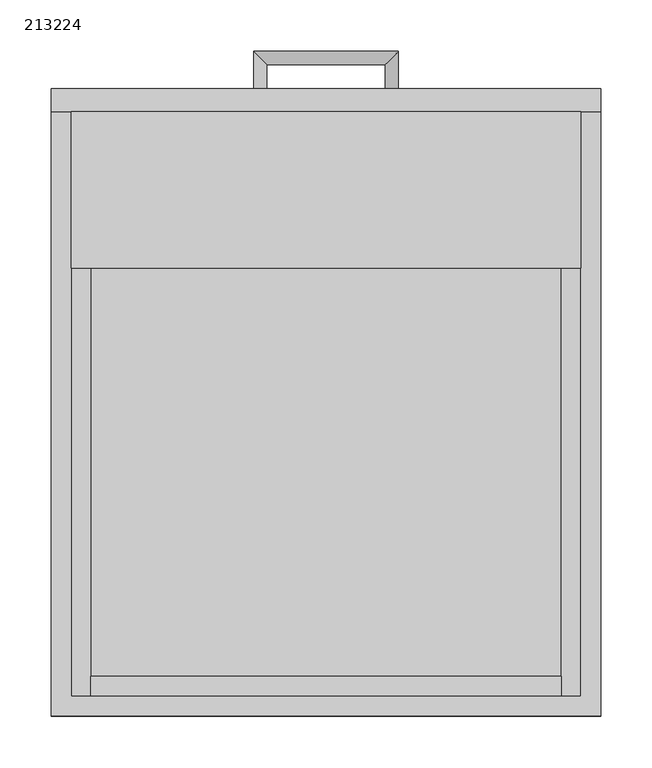
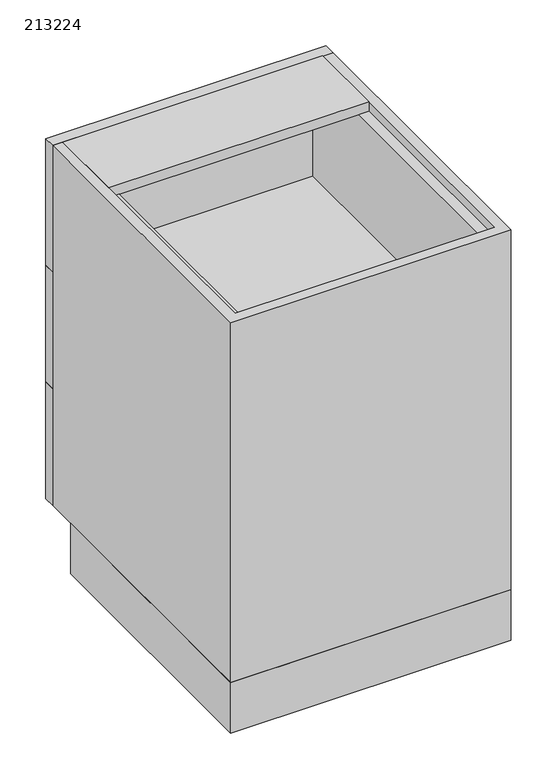
"""IFC4 building model written with IfcOpenShell, lengths in millimetres: furniture geometry, 213224."""

import ifcopenshell
import ifcopenshell.guid

model = None  # the IFC model being written
_history = None  # IfcOwnerHistory: only IFC2X3 demands one
_inside = {}  # id of a spatial element -> (the spatial element, [elements in it])
_under = {}  # id of a project, library or spatial element -> (it, [spatial elements below it])
_declared = {}  # id of a project -> (the project, [libraries it declares])
_typed = {}  # id of a type object -> (the type object, [elements of that type])
_made_of = {}  # id of a material, layer set ... -> (it, [elements and type objects made of it])


def new_model(schema):
    """Start an empty IFC model of exactly this schema.

    Asked for "IFC4X3", IfcOpenShell would pick the latest addendum, in which some entities
    have other attributes; the version numbers below select the first issue.
    IFC2X3 requires an IfcOwnerHistory on every rooted entity: one is made here for all.
    """
    global model, _history
    if schema == "IFC4X3":
        model = ifcopenshell.file(schema_version=(4, 3, 0, 0))
    else:
        model = ifcopenshell.file(schema=schema)
    _inside.clear()
    _under.clear()
    _declared.clear()
    _typed.clear()
    _made_of.clear()
    _history = None
    if model.schema == "IFC2X3":
        org = make("IfcOrganization", Name="unknown")
        user = make(
            "IfcPersonAndOrganization",
            ThePerson=make("IfcPerson", FamilyName="unknown"),
            TheOrganization=org,
        )
        app = make(
            "IfcApplication",
            ApplicationDeveloper=org,
            Version="unknown",
            ApplicationFullName="unknown",
            ApplicationIdentifier="unknown",
        )
        _history = make(
            "IfcOwnerHistory",
            OwningUser=user,
            OwningApplication=app,
            ChangeAction="ADDED",
            CreationDate=0,
        )
    return model


def make(cls, **values):
    """One entity of the class cls with the attributes given. An attribute that is None is left unset."""
    return model.create_entity(
        cls, **{name: value for name, value in values.items() if value is not None}
    )


def rooted(cls, **values):
    """An entity with a GlobalId (a new one), such as an element, a storey or a relation."""
    return make(cls, GlobalId=ifcopenshell.guid.new(), OwnerHistory=_history, **values)


def si_unit(unit_type, name, prefix=None):
    """IfcSIUnit, for example si_unit("LENGTHUNIT", "METRE", prefix="MILLI")."""
    return make("IfcSIUnit", UnitType=unit_type, Prefix=prefix, Name=name)


def assignment(units):
    """IfcUnitAssignment: the units of a project."""
    return None if units is None else make("IfcUnitAssignment", Units=units)


def point(xyz):
    """IfcCartesianPoint."""
    return None if xyz is None else make("IfcCartesianPoint", Coordinates=xyz)


def direction(xyz):
    """IfcDirection."""
    return None if xyz is None else make("IfcDirection", DirectionRatios=xyz)


def frame(location, z_axis=None, x_axis=None):
    """IfcAxis2Placement3D, a coordinate frame: its origin and axes. An axis left out is left unset."""
    return make(
        "IfcAxis2Placement3D",
        Location=point(location),
        Axis=direction(z_axis),
        RefDirection=direction(x_axis),
    )


def origin():
    """The frame at (0, 0, 0) with its axes left unset."""
    return frame((0.0, 0.0, 0.0))


def origin_with_axes():
    """The frame at (0, 0, 0) with the z axis (0, 0, 1) and the x axis (1, 0, 0) written out."""
    return frame((0.0, 0.0, 0.0), z_axis=(0.0, 0.0, 1.0), x_axis=(1.0, 0.0, 0.0))


def place(relative_to, where):
    """IfcLocalPlacement: puts the frame where relative to a parent placement (None: the world)."""
    return make(
        "IfcLocalPlacement", PlacementRelTo=relative_to, RelativePlacement=where
    )


def context(
    kind, dimensions, precision=None, world=None, true_north=None, identifier=None
):
    """IfcGeometricRepresentationContext, for example the 3D "Model" context."""
    return make(
        "IfcGeometricRepresentationContext",
        ContextIdentifier=identifier,
        ContextType=kind,
        CoordinateSpaceDimension=dimensions,
        Precision=precision,
        WorldCoordinateSystem=world,
        TrueNorth=true_north,
    )


def project(units=None, contexts=None):
    """IfcProject with its units and contexts."""
    return rooted(
        "IfcProject",
        Name="project",
        RepresentationContexts=contexts,
        UnitsInContext=assignment(units),
    )


def spatial(cls, under=None, at=None, **own):
    """A site, building, storey or space (cls), placed at a placement, below another one or the project."""
    s = rooted(cls, ObjectPlacement=at, **own)
    if under is not None:
        _under.setdefault(under.id(), (under, []))[1].append(s)
    return s


def polyline(points):
    """IfcPolyline through the points."""
    return make("IfcPolyline", Points=[point(p) for p in points])


def circle_curve(where, radius):
    """IfcCircle in the frame where."""
    return make("IfcCircle", Position=where, Radius=radius)


def ellipse_curve(where, semi_axis1, semi_axis2):
    """IfcEllipse in the frame where."""
    return make(
        "IfcEllipse", Position=where, SemiAxis1=semi_axis1, SemiAxis2=semi_axis2
    )


def outline(outer, holes=None, kind="AREA"):
    """IfcArbitraryClosedProfileDef: a profile drawn as a closed curve; with holes, ...WithVoids."""
    if holes is None:
        return make("IfcArbitraryClosedProfileDef", ProfileType=kind, OuterCurve=outer)
    return make(
        "IfcArbitraryProfileDefWithVoids",
        ProfileType=kind,
        OuterCurve=outer,
        InnerCurves=holes,
    )


def extrude(swept, where, along, depth):
    """IfcExtrudedAreaSolid: the profile swept, set in the frame where, extruded along a direction by depth."""
    return make(
        "IfcExtrudedAreaSolid",
        SweptArea=swept,
        Position=where,
        ExtrudedDirection=direction(along),
        Depth=depth,
    )


def shape(context_of_items, identifier, shape_type, items):
    """IfcShapeRepresentation: the items that make up one representation, for example the "Body"."""
    return make(
        "IfcShapeRepresentation",
        ContextOfItems=context_of_items,
        RepresentationIdentifier=identifier,
        RepresentationType=shape_type,
        Items=items,
    )


def source(mapping_origin, context_of_items, identifier, shape_type, items):
    """IfcRepresentationMap: a shape defined once, which mapped items show again and again."""
    return make(
        "IfcRepresentationMap",
        MappingOrigin=mapping_origin,
        MappedRepresentation=shape(context_of_items, identifier, shape_type, items),
    )


def transform(
    local_origin,
    x_axis=None,
    y_axis=None,
    z_axis=None,
    scale=None,
    scale2=None,
    scale3=None,
    uniform=True,
):
    """IfcCartesianTransformationOperator3D, or its non-uniform kind. x_axis, y_axis, z_axis: its Axis1, 2, 3."""
    if uniform:
        return make(
            "IfcCartesianTransformationOperator3D",
            Axis1=direction(x_axis),
            Axis2=direction(y_axis),
            LocalOrigin=point(local_origin),
            Scale=scale,
            Axis3=direction(z_axis),
        )
    return make(
        "IfcCartesianTransformationOperator3DnonUniform",
        Axis1=direction(x_axis),
        Axis2=direction(y_axis),
        LocalOrigin=point(local_origin),
        Scale=scale,
        Axis3=direction(z_axis),
        Scale2=scale2,
        Scale3=scale3,
    )


def mapped(mapping_source, mapping_target):
    """IfcMappedItem: shows the shape of a source again, moved by a transform."""
    return make(
        "IfcMappedItem", MappingSource=mapping_source, MappingTarget=mapping_target
    )


def made_of(thing, what):
    """Note that an element or type object is made of a material, layer set ...; save() writes the relation."""
    if what is not None:
        _made_of.setdefault(what.id(), (what, []))[1].append(thing)
    return thing


def element(
    cls,
    number,
    at=None,
    inside=None,
    cuts=None,
    type_object=None,
    material=None,
    context=None,
    identifier="Body",
    shape_type=None,
    held_by="IfcProductDefinitionShape",
    body=None,
    shapes=None,
    **own,
):
    """One element of the class cls, such as IfcWall. Its Tag is "e" and its number.

    at: its placement. inside: the storey or other place that contains it. cuts: it is an
    opening in that element (IfcRelVoidsElement). A single representation is given by context,
    identifier, shape_type and body (its items); several are given by shapes. held_by: the class
    of the entity that holds the representations. save() writes the other relations.
    """
    e = rooted(cls, Tag="e%d" % number, ObjectPlacement=at, **own)
    if body is not None:
        shapes = [shape(context, identifier, shape_type, body)]
    if shapes is not None:
        e.Representation = make(held_by, Representations=shapes)
    if inside is not None:
        _inside.setdefault(inside.id(), (inside, []))[1].append(e)
    if cuts is not None:
        rooted(
            "IfcRelVoidsElement", RelatingBuildingElement=cuts, RelatedOpeningElement=e
        )
    if type_object is not None:
        _typed.setdefault(type_object.id(), (type_object, []))[1].append(e)
    return made_of(e, material)


def aggregate(whole, parts):
    """IfcRelAggregates: a whole, such as a stair, and the parts it consists of."""
    return rooted("IfcRelAggregates", RelatingObject=whole, RelatedObjects=parts)


def save(model, path):
    """Write the relations noted so far, then the file.

    IfcRelAggregates (storeys below a building ...), IfcRelContainedInSpatialStructure (elements
    in a storey), IfcRelDefinesByType, IfcRelAssociatesMaterial and IfcRelDeclares: one each for
    every whole, place, type object, material and project.
    """
    for whole, parts in _under.values():
        aggregate(whole, parts)
    for where, things in _inside.values():
        rooted(
            "IfcRelContainedInSpatialStructure",
            RelatedElements=things,
            RelatingStructure=where,
        )
    for kind, things in _typed.values():
        rooted("IfcRelDefinesByType", RelatedObjects=things, RelatingType=kind)
    for what, things in _made_of.values():
        rooted("IfcRelAssociatesMaterial", RelatedObjects=things, RelatingMaterial=what)
    for by, libraries in _declared.values():
        rooted("IfcRelDeclares", RelatingContext=by, RelatedDefinitions=libraries)
    model.write(path)


def plane_surface(at):
    """IfcPlane: the flat surface through the origin of the frame at, square to its z axis."""
    return make("IfcPlane", Position=at)


def cylinder_surface(at, radius):
    """IfcCylindricalSurface: all points at the distance radius from the z axis of the frame at."""
    return make("IfcCylindricalSurface", Position=at, Radius=radius)


def advanced_brep(points, edges, surfaces, faces):
    """IfcAdvancedBrep: a solid bounded by faces that lie on surfaces and meet in shared edges.

    An edge is (start, end): straight between two places in points (the first is 0);
    or (start, end, curve); or (start, end, curve, False) where it runs against its curve.
    A face is (place in surfaces, loops), or (place, loops, False) where it looks against
    its surface's normal. A loop lists edges by number (the first is 1), with a minus sign
    where the edge is run from its end to its start. The first loop is the outer one.
    """
    corners = [point(p) for p in points]
    vertices = [make("IfcVertexPoint", VertexGeometry=c) for c in corners]
    made = []
    for start, end, *more in edges:
        made.append(
            make(
                "IfcEdgeCurve",
                EdgeStart=vertices[start],
                EdgeEnd=vertices[end],
                EdgeGeometry=more[0] if more else make("IfcPolyline", Points=[corners[start], corners[end]]),
                SameSense=more[1] if len(more) > 1 else True,
            )
        )
    hull = []
    for where, loops, *sense in faces:
        bounds = []
        for j, loop in enumerate(loops):
            ring = [make("IfcOrientedEdge", EdgeElement=made[abs(k) - 1], Orientation=k > 0) for k in loop]
            bounds.append(
                make(
                    "IfcFaceOuterBound" if j == 0 else "IfcFaceBound",
                    Bound=make("IfcEdgeLoop", EdgeList=ring),
                    Orientation=True,
                )
            )
        hull.append(make("IfcAdvancedFace", Bounds=bounds, FaceSurface=surfaces[where], SameSense=sense[0] if sense else True))
    return make("IfcAdvancedBrep", Outer=make("IfcClosedShell", CfsFaces=hull))


def furniture_213224_88f033a4(model_context):
    return source(origin(), model_context, "Body", "SolidModel", [
        extrude(outline(polyline([(-247.9622951, 0.0), (-247.9622951, 528.6), (285.4377049, 528.6), (285.4377049, 0.0), (-247.9622951, 0.0)]), holes=[polyline([(-228.7622951, 509.4), (-228.7622951, 19.2), (266.2377049, 19.2), (266.2377049, 509.4), (-228.7622951, 509.4)])]), origin_with_axes(), (0.0, 0.0, 1.0), 101.5996875),
        extrude(outline(polyline([(247.0377049, 19.2), (-209.5622951, 19.2), (-209.5622951, 38.4), (247.0377049, 38.4), (247.0377049, 19.2)])), frame((0.0, 0.0, 590.5998958), z_axis=(0.0, 0.0, 1.0), x_axis=(1.0, 0.0, 0.0)), (0.0, 0.0, 1.0), 215.7001042),
        extrude(outline(polyline([(247.0377049, 19.2), (-209.5622951, 19.2), (-209.5622951, 38.4), (247.0377049, 38.4), (247.0377049, 19.2)])), frame((0.0, 0.0, 355.6997917), z_axis=(0.0, 0.0, 1.0), x_axis=(1.0, 0.0, 0.0)), (0.0, 0.0, 1.0), 215.7001042),
        extrude(outline(polyline([(247.0377049, 19.2), (-209.5622951, 19.2), (-209.5622951, 38.4), (247.0377049, 38.4), (247.0377049, 19.2)])), frame((0.0, 0.0, 120.7996875), z_axis=(0.0, 0.0, 1.0), x_axis=(1.0, 0.0, 0.0)), (0.0, 0.0, 1.0), 215.7001042),
        extrude(outline(polyline([(806.3, -228.7622951), (571.3998958, -228.7622951), (571.3998958, 266.2377049), (806.3, 266.2377049), (806.3, 247.0377049), (590.5998958, 247.0377049), (590.5998958, -209.5622951), (806.3, -209.5622951), (806.3, -228.7622951)])), frame((0.0, 19.2, 0.0), z_axis=(0.0, 1.0, 0.0), x_axis=(0.0, 0.0, 1.0)), (0.0, 0.0, 1.0), 568.4),
        extrude(outline(polyline([(571.3998958, -228.7622951), (336.4997917, -228.7622951), (336.4997917, 266.2377049), (571.3998958, 266.2377049), (571.3998958, 247.0377049), (355.6997917, 247.0377049), (355.6997917, -209.5622951), (571.3998958, -209.5622951), (571.3998958, -228.7622951)])), frame((0.0, 19.2, 0.0), z_axis=(0.0, 1.0, 0.0), x_axis=(0.0, 0.0, 1.0)), (0.0, 0.0, 1.0), 568.4),
        extrude(outline(polyline([(336.4997917, -228.7622951), (101.5996875, -228.7622951), (101.5996875, 266.2377049), (336.4997917, 266.2377049), (336.4997917, 247.0377049), (120.7996875, 247.0377049), (120.7996875, -209.5622951), (336.4997917, -209.5622951), (336.4997917, -228.7622951)])), frame((0.0, 19.2, 0.0), z_axis=(0.0, 1.0, 0.0), x_axis=(0.0, 0.0, 1.0)), (0.0, 0.0, 1.0), 568.4),
        extrude(outline(polyline([(266.2377049, 435.2), (-228.7622951, 435.2), (-228.7622951, 587.6), (266.2377049, 587.6), (266.2377049, 435.2)])), frame((0.0, 0.0, 806.3), z_axis=(0.0, 0.0, 1.0), x_axis=(1.0, 0.0, 0.0)), (0.0, 0.0, 1.0), 19.2),
        extrude(outline(polyline([(-247.9622951, 609.6), (285.4377049, 609.6), (285.4377049, 587.6), (-247.9622951, 587.6), (-247.9622951, 609.6)])), frame((0.0, 0.0, 571.3998958), z_axis=(0.0, 0.0, 1.0), x_axis=(1.0, 0.0, 0.0)), (0.0, 0.0, 1.0), 254.1001042),
        advanced_brep(
        [(-51.6122951, 609.6, 688.8499479), (-38.9122951, 609.6, 688.8499479), (-38.9122951, 633.25, 688.8499479), (-51.6122951, 645.95, 688.8499479), (76.3877049, 633.25, 688.8499479), (89.0877049, 645.95, 688.8499479), (89.0877049, 609.6, 688.8499479), (76.3877049, 609.6, 688.8499479)],
        [
            (0, 1, circle_curve(frame((-45.2622951, 609.6, 688.8499479), z_axis=(0.0, -1.0, 0.0), x_axis=(1.0, 0.0, 0.0)), 6.35)),
            (1, 0, circle_curve(frame((-45.2622951, 609.6, 688.8499479), z_axis=(0.0, -1.0, 0.0), x_axis=(1.0, 0.0, 0.0)), 6.35)),
            (1, 2),
            (2, 3, ellipse_curve(frame((-45.2622951, 639.6, 688.8499479), z_axis=(-0.7071067811865475, -0.7071067811865475, 0.0), x_axis=(0.7071067811865474, -0.7071067811865476, 0.0)), 8.9802561, 6.35)),
            (3, 0),
            (3, 2, ellipse_curve(frame((-45.2622951, 639.6, 688.8499479), z_axis=(-0.7071067811865475, -0.7071067811865475, 0.0), x_axis=(0.7071067811865474, -0.7071067811865476, 0.0)), 8.9802561, 6.35)),
            (2, 4),
            (4, 5, ellipse_curve(frame((82.7377049, 639.6, 688.8499479), z_axis=(-0.7071067811865475, 0.7071067811865475, 0.0), x_axis=(-0.7071067811865476, -0.7071067811865474, 0.0)), 8.9802561, 6.35)),
            (5, 3),
            (5, 4, ellipse_curve(frame((82.7377049, 639.6, 688.8499479), z_axis=(-0.7071067811865475, 0.7071067811865475, 0.0), x_axis=(-0.7071067811865476, -0.7071067811865474, 0.0)), 8.9802561, 6.35)),
            (6, 7, circle_curve(frame((82.7377049, 609.6, 688.8499479), z_axis=(0.0, -1.0, 0.0), x_axis=(-1.0, 0.0, 0.0)), 6.35)),
            (7, 6, circle_curve(frame((82.7377049, 609.6, 688.8499479), z_axis=(0.0, -1.0, 0.0), x_axis=(-1.0, 0.0, 0.0)), 6.35)),
            (4, 7),
            (6, 5),
        ],
        [
            plane_surface(frame((-45.2622951, 609.6, 688.8499479), z_axis=(0.0, -1.0, 0.0), x_axis=(0.0, 0.0, 1.0))),
            cylinder_surface(frame((-45.2622951, 609.6, 688.8499479), z_axis=(0.0, -1.0, 0.0), x_axis=(1.0, 0.0, 0.0)), 6.35),
            cylinder_surface(frame((-45.2622951, 639.6, 688.8499479), z_axis=(-1.0, 0.0, 0.0), x_axis=(0.0, -1.0, 0.0)), 6.35),
            plane_surface(frame((82.7377049, 609.6, 688.8499479), z_axis=(0.0, -1.0, 0.0), x_axis=(0.0, 0.0, 1.0))),
            cylinder_surface(frame((82.7377049, 639.6, 688.8499479), z_axis=(0.0, 1.0, 0.0), x_axis=(-1.0, 0.0, 0.0)), 6.35),
        ],
        [
            (0, [[1, 2]]),
            (1, [[3, 4, 5, -2]]),
            (1, [[-5, 6, -3, -1]]),
            (2, [[7, 8, 9, -4]]),
            (2, [[-9, 10, -7, -6]]),
            (3, [[11, 12]]),
            (4, [[13, -11, 14, -8]]),
            (4, [[-14, -12, -13, -10]]),
        ],
    ),
        advanced_brep(
        [(76.3877049, 609.6, 219.0497396), (89.0877049, 609.6, 219.0497396), (89.0877049, 645.95, 219.0497396), (76.3877049, 633.25, 219.0497396), (-51.6122951, 645.95, 219.0497396), (-38.9122951, 633.25, 219.0497396), (-38.9122951, 609.6, 219.0497396), (-51.6122951, 609.6, 219.0497396)],
        [
            (0, 1, circle_curve(frame((82.7377049, 609.6, 219.0497396), z_axis=(0.0, -1.0, 0.0), x_axis=(1.0, 0.0, 0.0)), 6.35)),
            (1, 0, circle_curve(frame((82.7377049, 609.6, 219.0497396), z_axis=(0.0, -1.0, 0.0), x_axis=(1.0, 0.0, 0.0)), 6.35)),
            (1, 2),
            (2, 3, ellipse_curve(frame((82.7377049, 639.6, 219.0497396), z_axis=(0.7071067811865475, -0.7071067811865475, 0.0), x_axis=(-0.7071067811865474, -0.7071067811865476, 0.0)), 8.9802561, 6.35)),
            (3, 0),
            (3, 2, ellipse_curve(frame((82.7377049, 639.6, 219.0497396), z_axis=(0.7071067811865475, -0.7071067811865475, 0.0), x_axis=(-0.7071067811865474, -0.7071067811865476, 0.0)), 8.9802561, 6.35)),
            (2, 4),
            (4, 5, ellipse_curve(frame((-45.2622951, 639.6, 219.0497396), z_axis=(0.7071067811865475, 0.7071067811865475, 0.0), x_axis=(0.7071067811865476, -0.7071067811865474, 0.0)), 8.9802561, 6.35)),
            (5, 3),
            (5, 4, ellipse_curve(frame((-45.2622951, 639.6, 219.0497396), z_axis=(0.7071067811865475, 0.7071067811865475, 0.0), x_axis=(0.7071067811865476, -0.7071067811865474, 0.0)), 8.9802561, 6.35)),
            (6, 7, circle_curve(frame((-45.2622951, 609.6, 219.0497396), z_axis=(0.0, -1.0, 0.0), x_axis=(-1.0, 0.0, 0.0)), 6.35)),
            (7, 6, circle_curve(frame((-45.2622951, 609.6, 219.0497396), z_axis=(0.0, -1.0, 0.0), x_axis=(-1.0, 0.0, 0.0)), 6.35)),
            (4, 7),
            (6, 5),
        ],
        [
            plane_surface(frame((82.7377049, 609.6, 219.0497396), z_axis=(0.0, -1.0, 0.0), x_axis=(0.0, 0.0, 1.0))),
            cylinder_surface(frame((82.7377049, 609.6, 219.0497396), z_axis=(0.0, -1.0, 0.0), x_axis=(1.0, 0.0, 0.0)), 6.35),
            cylinder_surface(frame((82.7377049, 639.6, 219.0497396), z_axis=(1.0, 0.0, 0.0), x_axis=(0.0, 1.0, 0.0)), 6.35),
            plane_surface(frame((-45.2622951, 609.6, 219.0497396), z_axis=(0.0, -1.0, 0.0), x_axis=(0.0, 0.0, 1.0))),
            cylinder_surface(frame((-45.2622951, 639.6, 219.0497396), z_axis=(0.0, 1.0, 0.0), x_axis=(-1.0, 0.0, 0.0)), 6.35),
        ],
        [
            (0, [[1, 2]]),
            (1, [[3, 4, 5, -2]]),
            (1, [[-5, 6, -3, -1]]),
            (2, [[7, 8, 9, -4]]),
            (2, [[-9, 10, -7, -6]]),
            (3, [[11, 12]]),
            (4, [[13, -11, 14, -8]]),
            (4, [[-14, -12, -13, -10]]),
        ],
    ),
        extrude(outline(polyline([(285.4377049, 587.6), (-247.9622951, 587.6), (-247.9622951, 609.6), (285.4377049, 609.6), (285.4377049, 587.6)])), frame((0.0, 0.0, 101.5996875), z_axis=(0.0, 0.0, 1.0), x_axis=(1.0, 0.0, 0.0)), (0.0, 0.0, 1.0), 234.9001042),
        advanced_brep(
        [(-51.6122951, 609.6, 453.9498437), (-38.9122951, 609.6, 453.9498437), (-38.9122951, 633.25, 453.9498437), (-51.6122951, 645.95, 453.9498437), (76.3877049, 633.25, 453.9498437), (89.0877049, 645.95, 453.9498437), (89.0877049, 609.6, 453.9498437), (76.3877049, 609.6, 453.9498437)],
        [
            (0, 1, circle_curve(frame((-45.2622951, 609.6, 453.9498437), z_axis=(0.0, -1.0, 0.0), x_axis=(1.0, 0.0, 0.0)), 6.35)),
            (1, 0, circle_curve(frame((-45.2622951, 609.6, 453.9498437), z_axis=(0.0, -1.0, 0.0), x_axis=(1.0, 0.0, 0.0)), 6.35)),
            (1, 2),
            (2, 3, ellipse_curve(frame((-45.2622951, 639.6, 453.9498437), z_axis=(-0.7071067811865475, -0.7071067811865475, 0.0), x_axis=(0.7071067811865474, -0.7071067811865476, 0.0)), 8.9802561, 6.35)),
            (3, 0),
            (3, 2, ellipse_curve(frame((-45.2622951, 639.6, 453.9498437), z_axis=(-0.7071067811865475, -0.7071067811865475, 0.0), x_axis=(0.7071067811865474, -0.7071067811865476, 0.0)), 8.9802561, 6.35)),
            (2, 4),
            (4, 5, ellipse_curve(frame((82.7377049, 639.6, 453.9498437), z_axis=(-0.7071067811865475, 0.7071067811865475, 0.0), x_axis=(-0.7071067811865476, -0.7071067811865474, 0.0)), 8.9802561, 6.35)),
            (5, 3),
            (5, 4, ellipse_curve(frame((82.7377049, 639.6, 453.9498437), z_axis=(-0.7071067811865475, 0.7071067811865475, 0.0), x_axis=(-0.7071067811865476, -0.7071067811865474, 0.0)), 8.9802561, 6.35)),
            (6, 7, circle_curve(frame((82.7377049, 609.6, 453.9498437), z_axis=(0.0, -1.0, 0.0), x_axis=(-1.0, 0.0, 0.0)), 6.35)),
            (7, 6, circle_curve(frame((82.7377049, 609.6, 453.9498437), z_axis=(0.0, -1.0, 0.0), x_axis=(-1.0, 0.0, 0.0)), 6.35)),
            (4, 7),
            (6, 5),
        ],
        [
            plane_surface(frame((-45.2622951, 609.6, 453.9498437), z_axis=(0.0, -1.0, 0.0), x_axis=(0.0, 0.0, 1.0))),
            cylinder_surface(frame((-45.2622951, 609.6, 453.9498437), z_axis=(0.0, -1.0, 0.0), x_axis=(1.0, 0.0, 0.0)), 6.35),
            cylinder_surface(frame((-45.2622951, 639.6, 453.9498437), z_axis=(-1.0, 0.0, 0.0), x_axis=(0.0, -1.0, 0.0)), 6.35),
            plane_surface(frame((82.7377049, 609.6, 453.9498437), z_axis=(0.0, -1.0, 0.0), x_axis=(0.0, 0.0, 1.0))),
            cylinder_surface(frame((82.7377049, 639.6, 453.9498437), z_axis=(0.0, 1.0, 0.0), x_axis=(-1.0, 0.0, 0.0)), 6.35),
        ],
        [
            (0, [[1, 2]]),
            (1, [[3, 4, 5, -2]]),
            (1, [[-5, 6, -3, -1]]),
            (2, [[7, 8, 9, -4]]),
            (2, [[-9, 10, -7, -6]]),
            (3, [[11, 12]]),
            (4, [[13, -11, 14, -8]]),
            (4, [[-14, -12, -13, -10]]),
        ],
    ),
        extrude(outline(polyline([(-247.9622951, 609.6), (285.4377049, 609.6), (285.4377049, 587.6), (-247.9622951, 587.6), (-247.9622951, 609.6)])), frame((0.0, 0.0, 336.4997917), z_axis=(0.0, 0.0, 1.0), x_axis=(1.0, 0.0, 0.0)), (0.0, 0.0, 1.0), 234.9001042),
        extrude(outline(polyline([(285.4377049, 587.6), (285.4377049, 0.0), (-247.9622951, 0.0), (-247.9622951, 587.6), (-228.7622951, 587.6), (-228.7622951, 19.2), (266.2377049, 19.2), (266.2377049, 587.6), (285.4377049, 587.6)])), frame((0.0, 0.0, 101.5996875), z_axis=(0.0, 0.0, 1.0), x_axis=(1.0, 0.0, 0.0)), (0.0, 0.0, 1.0), 723.9003125),
    ])


if __name__ == "__main__":
    model = new_model("IFC4")
    model_context = context("Model", 3, world=origin())
    ifc_project = project(units=[si_unit("LENGTHUNIT", "METRE", prefix="MILLI")], contexts=[model_context])
    site = spatial("IfcSite", under=ifc_project)
    building = spatial("IfcBuilding", under=site)
    placement = place(None, origin())
    furniture_213224_shape = furniture_213224_88f033a4(model_context)
    element("IfcFurniture", 1, ObjectType="213224", at=placement, inside=building, context=model_context, shape_type="MappedRepresentation", body=[
        mapped(furniture_213224_shape, transform((0.0, 0.0, 0.0), x_axis=(1.0, 0.0, 0.0), y_axis=(0.0, 1.0, 0.0), z_axis=(0.0, 0.0, 1.0))),
    ])
    save(model, "model.ifc")
